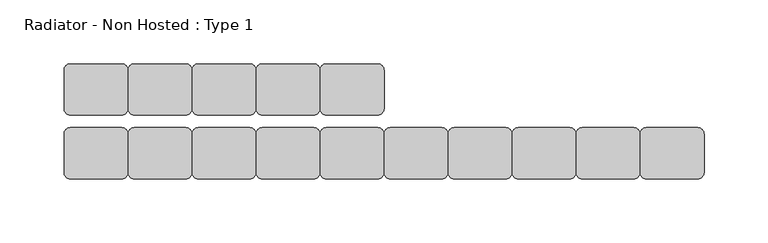
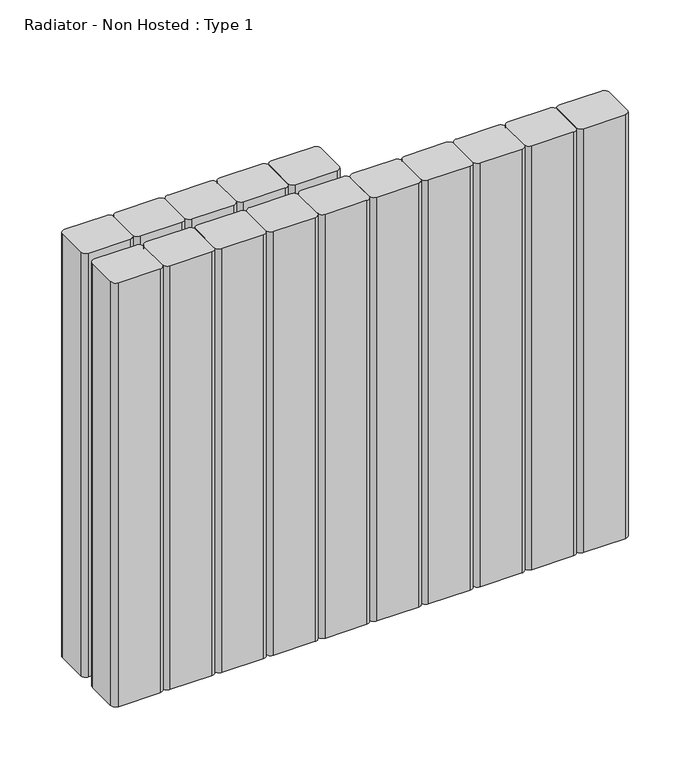
"""IFC4 building model written with IfcOpenShell, lengths in millimetres: proxy geometry, Radiator - Non Hosted : Type 1."""

from ifc_helpers import new_model, si_unit, point, frame, frame_2d, origin, place, context, project, spatial, polyline, circle_curve, trimmed, segment, composite_curve, outline, extrude, source, transform, mapped, element, save


def radiator_non_hosted_type_1_401fc905(model_context):
    return source(origin(), model_context, "Body", "SweptSolid", [
        extrude(outline(composite_curve([segment(trimmed(circle_curve(frame_2d((345.0, 115.0)), 5.0), [point((345.0, 120.0))], [point((350.0, 115.0))], False, "CARTESIAN"), True, "CONTINUOUS"), segment(polyline([(350.0, 115.0), (350.0, 85.0)]), True, "CONTINUOUS"), segment(trimmed(circle_curve(frame_2d((345.0, 85.0)), 5.0), [point((350.0, 85.0))], [point((345.0, 80.0))], False, "CARTESIAN"), True, "CONTINUOUS"), segment(polyline([(345.0, 80.0), (305.0, 80.0)]), True, "CONTINUOUS"), segment(trimmed(circle_curve(frame_2d((305.0, 85.0)), 5.0), [point((305.0, 80.0))], [point((300.0, 85.0))], False, "CARTESIAN"), True, "CONTINUOUS"), segment(polyline([(300.0, 85.0), (300.0, 115.0)]), True, "CONTINUOUS"), segment(trimmed(circle_curve(frame_2d((305.0, 115.0)), 5.0), [point((300.0, 115.0))], [point((305.0, 120.0))], False, "CARTESIAN"), True, "CONTINUOUS"), segment(polyline([(305.0, 120.0), (345.0, 120.0)]), True, "CONTINUOUS")], self_intersect=False)), frame((0.0, 0.0, 100.0), z_axis=(0.0, 0.0, 1.0), x_axis=(1.0, 0.0, 0.0)), (0.0, 0.0, 1.0), 433.1772759),
        extrude(outline(composite_curve([segment(trimmed(circle_curve(frame_2d((295.0, 115.0)), 5.0), [point((295.0, 120.0))], [point((300.0, 115.0))], False, "CARTESIAN"), True, "CONTINUOUS"), segment(polyline([(300.0, 115.0), (300.0, 85.0)]), True, "CONTINUOUS"), segment(trimmed(circle_curve(frame_2d((295.0, 85.0)), 5.0), [point((300.0, 85.0))], [point((295.0, 80.0))], False, "CARTESIAN"), True, "CONTINUOUS"), segment(polyline([(295.0, 80.0), (255.0, 80.0)]), True, "CONTINUOUS"), segment(trimmed(circle_curve(frame_2d((255.0, 85.0)), 5.0), [point((255.0, 80.0))], [point((250.0, 85.0))], False, "CARTESIAN"), True, "CONTINUOUS"), segment(polyline([(250.0, 85.0), (250.0, 115.0)]), True, "CONTINUOUS"), segment(trimmed(circle_curve(frame_2d((255.0, 115.0)), 5.0), [point((250.0, 115.0))], [point((255.0, 120.0))], False, "CARTESIAN"), True, "CONTINUOUS"), segment(polyline([(255.0, 120.0), (295.0, 120.0)]), True, "CONTINUOUS")], self_intersect=False)), frame((0.0, 0.0, 100.0), z_axis=(0.0, 0.0, 1.0), x_axis=(1.0, 0.0, 0.0)), (0.0, 0.0, 1.0), 433.1772759),
        extrude(outline(composite_curve([segment(trimmed(circle_curve(frame_2d((245.0, 115.0)), 5.0), [point((245.0, 120.0))], [point((250.0, 115.0))], False, "CARTESIAN"), True, "CONTINUOUS"), segment(polyline([(250.0, 115.0), (250.0, 85.0)]), True, "CONTINUOUS"), segment(trimmed(circle_curve(frame_2d((245.0, 85.0)), 5.0), [point((250.0, 85.0))], [point((245.0, 80.0))], False, "CARTESIAN"), True, "CONTINUOUS"), segment(polyline([(245.0, 80.0), (205.0, 80.0)]), True, "CONTINUOUS"), segment(trimmed(circle_curve(frame_2d((205.0, 85.0)), 5.0), [point((205.0, 80.0))], [point((200.0, 85.0))], False, "CARTESIAN"), True, "CONTINUOUS"), segment(polyline([(200.0, 85.0), (200.0, 115.0)]), True, "CONTINUOUS"), segment(trimmed(circle_curve(frame_2d((205.0, 115.0)), 5.0), [point((200.0, 115.0))], [point((205.0, 120.0))], False, "CARTESIAN"), True, "CONTINUOUS"), segment(polyline([(205.0, 120.0), (245.0, 120.0)]), True, "CONTINUOUS")], self_intersect=False)), frame((0.0, 0.0, 100.0), z_axis=(0.0, 0.0, 1.0), x_axis=(1.0, 0.0, 0.0)), (0.0, 0.0, 1.0), 433.1772759),
        extrude(outline(composite_curve([segment(trimmed(circle_curve(frame_2d((195.0, 115.0)), 5.0), [point((195.0, 120.0))], [point((200.0, 115.0))], False, "CARTESIAN"), True, "CONTINUOUS"), segment(polyline([(200.0, 115.0), (200.0, 85.0)]), True, "CONTINUOUS"), segment(trimmed(circle_curve(frame_2d((195.0, 85.0)), 5.0), [point((200.0, 85.0))], [point((195.0, 80.0))], False, "CARTESIAN"), True, "CONTINUOUS"), segment(polyline([(195.0, 80.0), (155.0, 80.0)]), True, "CONTINUOUS"), segment(trimmed(circle_curve(frame_2d((155.0, 85.0)), 5.0), [point((155.0, 80.0))], [point((150.0, 85.0))], False, "CARTESIAN"), True, "CONTINUOUS"), segment(polyline([(150.0, 85.0), (150.0, 115.0)]), True, "CONTINUOUS"), segment(trimmed(circle_curve(frame_2d((155.0, 115.0)), 5.0), [point((150.0, 115.0))], [point((155.0, 120.0))], False, "CARTESIAN"), True, "CONTINUOUS"), segment(polyline([(155.0, 120.0), (195.0, 120.0)]), True, "CONTINUOUS")], self_intersect=False)), frame((0.0, 0.0, 100.0), z_axis=(0.0, 0.0, 1.0), x_axis=(1.0, 0.0, 0.0)), (0.0, 0.0, 1.0), 433.1772759),
        extrude(outline(composite_curve([segment(trimmed(circle_curve(frame_2d((595.0, 65.0)), 5.0), [point((595.0, 70.0))], [point((600.0, 65.0))], False, "CARTESIAN"), True, "CONTINUOUS"), segment(polyline([(600.0, 65.0), (600.0, 35.0)]), True, "CONTINUOUS"), segment(trimmed(circle_curve(frame_2d((595.0, 35.0)), 5.0), [point((600.0, 35.0))], [point((595.0, 30.0))], False, "CARTESIAN"), True, "CONTINUOUS"), segment(polyline([(595.0, 30.0), (555.0, 30.0)]), True, "CONTINUOUS"), segment(trimmed(circle_curve(frame_2d((555.0, 35.0)), 5.0), [point((555.0, 30.0))], [point((550.0, 35.0))], False, "CARTESIAN"), True, "CONTINUOUS"), segment(polyline([(550.0, 35.0), (550.0, 65.0)]), True, "CONTINUOUS"), segment(trimmed(circle_curve(frame_2d((555.0, 65.0)), 5.0), [point((550.0, 65.0))], [point((555.0, 70.0))], False, "CARTESIAN"), True, "CONTINUOUS"), segment(polyline([(555.0, 70.0), (595.0, 70.0)]), True, "CONTINUOUS")], self_intersect=False)), frame((0.0, 0.0, 100.0), z_axis=(0.0, 0.0, 1.0), x_axis=(1.0, 0.0, 0.0)), (0.0, 0.0, 1.0), 433.1772759),
        extrude(outline(composite_curve([segment(trimmed(circle_curve(frame_2d((545.0, 65.0)), 5.0), [point((545.0, 70.0))], [point((550.0, 65.0))], False, "CARTESIAN"), True, "CONTINUOUS"), segment(polyline([(550.0, 65.0), (550.0, 35.0)]), True, "CONTINUOUS"), segment(trimmed(circle_curve(frame_2d((545.0, 35.0)), 5.0), [point((550.0, 35.0))], [point((545.0, 30.0))], False, "CARTESIAN"), True, "CONTINUOUS"), segment(polyline([(545.0, 30.0), (505.0, 30.0)]), True, "CONTINUOUS"), segment(trimmed(circle_curve(frame_2d((505.0, 35.0)), 5.0), [point((505.0, 30.0))], [point((500.0, 35.0))], False, "CARTESIAN"), True, "CONTINUOUS"), segment(polyline([(500.0, 35.0), (500.0, 65.0)]), True, "CONTINUOUS"), segment(trimmed(circle_curve(frame_2d((505.0, 65.0)), 5.0), [point((500.0, 65.0))], [point((505.0, 70.0))], False, "CARTESIAN"), True, "CONTINUOUS"), segment(polyline([(505.0, 70.0), (545.0, 70.0)]), True, "CONTINUOUS")], self_intersect=False)), frame((0.0, 0.0, 100.0), z_axis=(0.0, 0.0, 1.0), x_axis=(1.0, 0.0, 0.0)), (0.0, 0.0, 1.0), 433.1772759),
        extrude(outline(composite_curve([segment(trimmed(circle_curve(frame_2d((495.0, 65.0)), 5.0), [point((495.0, 70.0))], [point((500.0, 65.0))], False, "CARTESIAN"), True, "CONTINUOUS"), segment(polyline([(500.0, 65.0), (500.0, 35.0)]), True, "CONTINUOUS"), segment(trimmed(circle_curve(frame_2d((495.0, 35.0)), 5.0), [point((500.0, 35.0))], [point((495.0, 30.0))], False, "CARTESIAN"), True, "CONTINUOUS"), segment(polyline([(495.0, 30.0), (455.0, 30.0)]), True, "CONTINUOUS"), segment(trimmed(circle_curve(frame_2d((455.0, 35.0)), 5.0), [point((455.0, 30.0))], [point((450.0, 35.0))], False, "CARTESIAN"), True, "CONTINUOUS"), segment(polyline([(450.0, 35.0), (450.0, 65.0)]), True, "CONTINUOUS"), segment(trimmed(circle_curve(frame_2d((455.0, 65.0)), 5.0), [point((450.0, 65.0))], [point((455.0, 70.0))], False, "CARTESIAN"), True, "CONTINUOUS"), segment(polyline([(455.0, 70.0), (495.0, 70.0)]), True, "CONTINUOUS")], self_intersect=False)), frame((0.0, 0.0, 100.0), z_axis=(0.0, 0.0, 1.0), x_axis=(1.0, 0.0, 0.0)), (0.0, 0.0, 1.0), 433.1772759),
        extrude(outline(composite_curve([segment(trimmed(circle_curve(frame_2d((445.0, 65.0)), 5.0), [point((445.0, 70.0))], [point((450.0, 65.0))], False, "CARTESIAN"), True, "CONTINUOUS"), segment(polyline([(450.0, 65.0), (450.0, 35.0)]), True, "CONTINUOUS"), segment(trimmed(circle_curve(frame_2d((445.0, 35.0)), 5.0), [point((450.0, 35.0))], [point((445.0, 30.0))], False, "CARTESIAN"), True, "CONTINUOUS"), segment(polyline([(445.0, 30.0), (405.0, 30.0)]), True, "CONTINUOUS"), segment(trimmed(circle_curve(frame_2d((405.0, 35.0)), 5.0), [point((405.0, 30.0))], [point((400.0, 35.0))], False, "CARTESIAN"), True, "CONTINUOUS"), segment(polyline([(400.0, 35.0), (400.0, 65.0)]), True, "CONTINUOUS"), segment(trimmed(circle_curve(frame_2d((405.0, 65.0)), 5.0), [point((400.0, 65.0))], [point((405.0, 70.0))], False, "CARTESIAN"), True, "CONTINUOUS"), segment(polyline([(405.0, 70.0), (445.0, 70.0)]), True, "CONTINUOUS")], self_intersect=False)), frame((0.0, 0.0, 100.0), z_axis=(0.0, 0.0, 1.0), x_axis=(1.0, 0.0, 0.0)), (0.0, 0.0, 1.0), 433.1772759),
        extrude(outline(composite_curve([segment(trimmed(circle_curve(frame_2d((395.0, 65.0)), 5.0), [point((395.0, 70.0))], [point((400.0, 65.0))], False, "CARTESIAN"), True, "CONTINUOUS"), segment(polyline([(400.0, 65.0), (400.0, 35.0)]), True, "CONTINUOUS"), segment(trimmed(circle_curve(frame_2d((395.0, 35.0)), 5.0), [point((400.0, 35.0))], [point((395.0, 30.0))], False, "CARTESIAN"), True, "CONTINUOUS"), segment(polyline([(395.0, 30.0), (355.0, 30.0)]), True, "CONTINUOUS"), segment(trimmed(circle_curve(frame_2d((355.0, 35.0)), 5.0), [point((355.0, 30.0))], [point((350.0, 35.0))], False, "CARTESIAN"), True, "CONTINUOUS"), segment(polyline([(350.0, 35.0), (350.0, 65.0)]), True, "CONTINUOUS"), segment(trimmed(circle_curve(frame_2d((355.0, 65.0)), 5.0), [point((350.0, 65.0))], [point((355.0, 70.0))], False, "CARTESIAN"), True, "CONTINUOUS"), segment(polyline([(355.0, 70.0), (395.0, 70.0)]), True, "CONTINUOUS")], self_intersect=False)), frame((0.0, 0.0, 100.0), z_axis=(0.0, 0.0, 1.0), x_axis=(1.0, 0.0, 0.0)), (0.0, 0.0, 1.0), 433.1772759),
        extrude(outline(composite_curve([segment(trimmed(circle_curve(frame_2d((345.0, 65.0)), 5.0), [point((345.0, 70.0))], [point((350.0, 65.0))], False, "CARTESIAN"), True, "CONTINUOUS"), segment(polyline([(350.0, 65.0), (350.0, 35.0)]), True, "CONTINUOUS"), segment(trimmed(circle_curve(frame_2d((345.0, 35.0)), 5.0), [point((350.0, 35.0))], [point((345.0, 30.0))], False, "CARTESIAN"), True, "CONTINUOUS"), segment(polyline([(345.0, 30.0), (305.0, 30.0)]), True, "CONTINUOUS"), segment(trimmed(circle_curve(frame_2d((305.0, 35.0)), 5.0), [point((305.0, 30.0))], [point((300.0, 35.0))], False, "CARTESIAN"), True, "CONTINUOUS"), segment(polyline([(300.0, 35.0), (300.0, 65.0)]), True, "CONTINUOUS"), segment(trimmed(circle_curve(frame_2d((305.0, 65.0)), 5.0), [point((300.0, 65.0))], [point((305.0, 70.0))], False, "CARTESIAN"), True, "CONTINUOUS"), segment(polyline([(305.0, 70.0), (345.0, 70.0)]), True, "CONTINUOUS")], self_intersect=False)), frame((0.0, 0.0, 100.0), z_axis=(0.0, 0.0, 1.0), x_axis=(1.0, 0.0, 0.0)), (0.0, 0.0, 1.0), 433.1772759),
        extrude(outline(composite_curve([segment(trimmed(circle_curve(frame_2d((295.0, 65.0)), 5.0), [point((295.0, 70.0))], [point((300.0, 65.0))], False, "CARTESIAN"), True, "CONTINUOUS"), segment(polyline([(300.0, 65.0), (300.0, 35.0)]), True, "CONTINUOUS"), segment(trimmed(circle_curve(frame_2d((295.0, 35.0)), 5.0), [point((300.0, 35.0))], [point((295.0, 30.0))], False, "CARTESIAN"), True, "CONTINUOUS"), segment(polyline([(295.0, 30.0), (255.0, 30.0)]), True, "CONTINUOUS"), segment(trimmed(circle_curve(frame_2d((255.0, 35.0)), 5.0), [point((255.0, 30.0))], [point((250.0, 35.0))], False, "CARTESIAN"), True, "CONTINUOUS"), segment(polyline([(250.0, 35.0), (250.0, 65.0)]), True, "CONTINUOUS"), segment(trimmed(circle_curve(frame_2d((255.0, 65.0)), 5.0), [point((250.0, 65.0))], [point((255.0, 70.0))], False, "CARTESIAN"), True, "CONTINUOUS"), segment(polyline([(255.0, 70.0), (295.0, 70.0)]), True, "CONTINUOUS")], self_intersect=False)), frame((0.0, 0.0, 100.0), z_axis=(0.0, 0.0, 1.0), x_axis=(1.0, 0.0, 0.0)), (0.0, 0.0, 1.0), 433.1772759),
        extrude(outline(composite_curve([segment(trimmed(circle_curve(frame_2d((245.0, 65.0)), 5.0), [point((245.0, 70.0))], [point((250.0, 65.0))], False, "CARTESIAN"), True, "CONTINUOUS"), segment(polyline([(250.0, 65.0), (250.0, 35.0)]), True, "CONTINUOUS"), segment(trimmed(circle_curve(frame_2d((245.0, 35.0)), 5.0), [point((250.0, 35.0))], [point((245.0, 30.0))], False, "CARTESIAN"), True, "CONTINUOUS"), segment(polyline([(245.0, 30.0), (205.0, 30.0)]), True, "CONTINUOUS"), segment(trimmed(circle_curve(frame_2d((205.0, 35.0)), 5.0), [point((205.0, 30.0))], [point((200.0, 35.0))], False, "CARTESIAN"), True, "CONTINUOUS"), segment(polyline([(200.0, 35.0), (200.0, 65.0)]), True, "CONTINUOUS"), segment(trimmed(circle_curve(frame_2d((205.0, 65.0)), 5.0), [point((200.0, 65.0))], [point((205.0, 70.0))], False, "CARTESIAN"), True, "CONTINUOUS"), segment(polyline([(205.0, 70.0), (245.0, 70.0)]), True, "CONTINUOUS")], self_intersect=False)), frame((0.0, 0.0, 100.0), z_axis=(0.0, 0.0, 1.0), x_axis=(1.0, 0.0, 0.0)), (0.0, 0.0, 1.0), 433.1772759),
        extrude(outline(composite_curve([segment(trimmed(circle_curve(frame_2d((195.0, 65.0)), 5.0), [point((195.0, 70.0))], [point((200.0, 65.0))], False, "CARTESIAN"), True, "CONTINUOUS"), segment(polyline([(200.0, 65.0), (200.0, 35.0)]), True, "CONTINUOUS"), segment(trimmed(circle_curve(frame_2d((195.0, 35.0)), 5.0), [point((200.0, 35.0))], [point((195.0, 30.0))], False, "CARTESIAN"), True, "CONTINUOUS"), segment(polyline([(195.0, 30.0), (155.0, 30.0)]), True, "CONTINUOUS"), segment(trimmed(circle_curve(frame_2d((155.0, 35.0)), 5.0), [point((155.0, 30.0))], [point((150.0, 35.0))], False, "CARTESIAN"), True, "CONTINUOUS"), segment(polyline([(150.0, 35.0), (150.0, 65.0)]), True, "CONTINUOUS"), segment(trimmed(circle_curve(frame_2d((155.0, 65.0)), 5.0), [point((150.0, 65.0))], [point((155.0, 70.0))], False, "CARTESIAN"), True, "CONTINUOUS"), segment(polyline([(155.0, 70.0), (195.0, 70.0)]), True, "CONTINUOUS")], self_intersect=False)), frame((0.0, 0.0, 100.0), z_axis=(0.0, 0.0, 1.0), x_axis=(1.0, 0.0, 0.0)), (0.0, 0.0, 1.0), 433.1772759),
        extrude(outline(composite_curve([segment(trimmed(circle_curve(frame_2d((145.0, 115.0)), 5.0), [point((145.0, 120.0))], [point((150.0, 115.0))], False, "CARTESIAN"), True, "CONTINUOUS"), segment(polyline([(150.0, 115.0), (150.0, 85.0)]), True, "CONTINUOUS"), segment(trimmed(circle_curve(frame_2d((145.0, 85.0)), 5.0), [point((150.0, 85.0))], [point((145.0, 80.0))], False, "CARTESIAN"), True, "CONTINUOUS"), segment(polyline([(145.0, 80.0), (105.0, 80.0)]), True, "CONTINUOUS"), segment(trimmed(circle_curve(frame_2d((105.0, 85.0)), 5.0), [point((105.0, 80.0))], [point((100.0, 85.0))], False, "CARTESIAN"), True, "CONTINUOUS"), segment(polyline([(100.0, 85.0), (100.0, 115.0)]), True, "CONTINUOUS"), segment(trimmed(circle_curve(frame_2d((105.0, 115.0)), 5.0), [point((100.0, 115.0))], [point((105.0, 120.0))], False, "CARTESIAN"), True, "CONTINUOUS"), segment(polyline([(105.0, 120.0), (145.0, 120.0)]), True, "CONTINUOUS")], self_intersect=False)), frame((0.0, 0.0, 100.0), z_axis=(0.0, 0.0, 1.0), x_axis=(1.0, 0.0, 0.0)), (0.0, 0.0, 1.0), 433.1772759),
        extrude(outline(composite_curve([segment(trimmed(circle_curve(frame_2d((145.0, 65.0)), 5.0), [point((145.0, 70.0))], [point((150.0, 65.0))], False, "CARTESIAN"), True, "CONTINUOUS"), segment(polyline([(150.0, 65.0), (150.0, 35.0)]), True, "CONTINUOUS"), segment(trimmed(circle_curve(frame_2d((145.0, 35.0)), 5.0), [point((150.0, 35.0))], [point((145.0, 30.0))], False, "CARTESIAN"), True, "CONTINUOUS"), segment(polyline([(145.0, 30.0), (105.0, 30.0)]), True, "CONTINUOUS"), segment(trimmed(circle_curve(frame_2d((105.0, 35.0)), 5.0), [point((105.0, 30.0))], [point((100.0, 35.0))], False, "CARTESIAN"), True, "CONTINUOUS"), segment(polyline([(100.0, 35.0), (100.0, 65.0)]), True, "CONTINUOUS"), segment(trimmed(circle_curve(frame_2d((105.0, 65.0)), 5.0), [point((100.0, 65.0))], [point((105.0, 70.0))], False, "CARTESIAN"), True, "CONTINUOUS"), segment(polyline([(105.0, 70.0), (145.0, 70.0)]), True, "CONTINUOUS")], self_intersect=False)), frame((0.0, 0.0, 100.0), z_axis=(0.0, 0.0, 1.0), x_axis=(1.0, 0.0, 0.0)), (0.0, 0.0, 1.0), 433.1772759),
    ])


if __name__ == "__main__":
    model = new_model("IFC4")
    model_context = context("Model", 3, world=origin())
    ifc_project = project(units=[si_unit("LENGTHUNIT", "METRE", prefix="MILLI")], contexts=[model_context])
    site = spatial("IfcSite", under=ifc_project)
    building = spatial("IfcBuilding", under=site)
    placement = place(None, origin())
    radiator_non_hosted_type_1_shape = radiator_non_hosted_type_1_401fc905(model_context)
    element("IfcBuildingElementProxy", 1, Name="Radiator - Non Hosted : Type 1", ObjectType="Radiator - Non Hosted : Type 1", at=placement, inside=building, context=model_context, shape_type="MappedRepresentation", body=[
        mapped(radiator_non_hosted_type_1_shape, transform((0.0, 0.0, 0.0), x_axis=(1.0, 0.0, 0.0), y_axis=(0.0, 1.0, 0.0), z_axis=(0.0, 0.0, 1.0))),
    ])
    save(model, "model.ifc")
